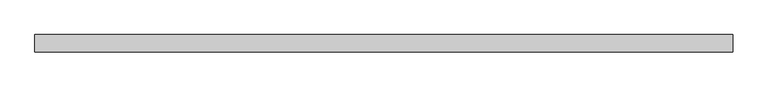
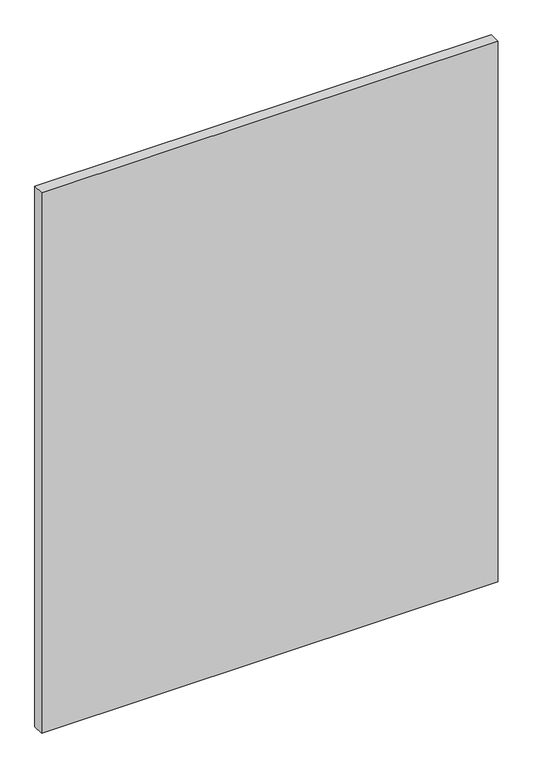
"""IFC4 building model written with IfcOpenShell, lengths in millimetres: proxy geometry."""

import ifcopenshell
import ifcopenshell.guid

model = None  # the IFC model being written
_history = None  # IfcOwnerHistory: only IFC2X3 demands one
_inside = {}  # id of a spatial element -> (the spatial element, [elements in it])
_under = {}  # id of a project, library or spatial element -> (it, [spatial elements below it])
_declared = {}  # id of a project -> (the project, [libraries it declares])
_typed = {}  # id of a type object -> (the type object, [elements of that type])
_made_of = {}  # id of a material, layer set ... -> (it, [elements and type objects made of it])


def new_model(schema):
    """Start an empty IFC model of exactly this schema.

    Asked for "IFC4X3", IfcOpenShell would pick the latest addendum, in which some entities
    have other attributes; the version numbers below select the first issue.
    IFC2X3 requires an IfcOwnerHistory on every rooted entity: one is made here for all.
    """
    global model, _history
    if schema == "IFC4X3":
        model = ifcopenshell.file(schema_version=(4, 3, 0, 0))
    else:
        model = ifcopenshell.file(schema=schema)
    _inside.clear()
    _under.clear()
    _declared.clear()
    _typed.clear()
    _made_of.clear()
    _history = None
    if model.schema == "IFC2X3":
        org = make("IfcOrganization", Name="unknown")
        user = make(
            "IfcPersonAndOrganization",
            ThePerson=make("IfcPerson", FamilyName="unknown"),
            TheOrganization=org,
        )
        app = make(
            "IfcApplication",
            ApplicationDeveloper=org,
            Version="unknown",
            ApplicationFullName="unknown",
            ApplicationIdentifier="unknown",
        )
        _history = make(
            "IfcOwnerHistory",
            OwningUser=user,
            OwningApplication=app,
            ChangeAction="ADDED",
            CreationDate=0,
        )
    return model


def make(cls, **values):
    """One entity of the class cls with the attributes given. An attribute that is None is left unset."""
    return model.create_entity(
        cls, **{name: value for name, value in values.items() if value is not None}
    )


def rooted(cls, **values):
    """An entity with a GlobalId (a new one), such as an element, a storey or a relation."""
    return make(cls, GlobalId=ifcopenshell.guid.new(), OwnerHistory=_history, **values)


def si_unit(unit_type, name, prefix=None):
    """IfcSIUnit, for example si_unit("LENGTHUNIT", "METRE", prefix="MILLI")."""
    return make("IfcSIUnit", UnitType=unit_type, Prefix=prefix, Name=name)


def assignment(units):
    """IfcUnitAssignment: the units of a project."""
    return None if units is None else make("IfcUnitAssignment", Units=units)


def point(xyz):
    """IfcCartesianPoint."""
    return None if xyz is None else make("IfcCartesianPoint", Coordinates=xyz)


def direction(xyz):
    """IfcDirection."""
    return None if xyz is None else make("IfcDirection", DirectionRatios=xyz)


def frame(location, z_axis=None, x_axis=None):
    """IfcAxis2Placement3D, a coordinate frame: its origin and axes. An axis left out is left unset."""
    return make(
        "IfcAxis2Placement3D",
        Location=point(location),
        Axis=direction(z_axis),
        RefDirection=direction(x_axis),
    )


def origin():
    """The frame at (0, 0, 0) with its axes left unset."""
    return frame((0.0, 0.0, 0.0))


def origin_with_axes():
    """The frame at (0, 0, 0) with the z axis (0, 0, 1) and the x axis (1, 0, 0) written out."""
    return frame((0.0, 0.0, 0.0), z_axis=(0.0, 0.0, 1.0), x_axis=(1.0, 0.0, 0.0))


def place(relative_to, where):
    """IfcLocalPlacement: puts the frame where relative to a parent placement (None: the world)."""
    return make(
        "IfcLocalPlacement", PlacementRelTo=relative_to, RelativePlacement=where
    )


def context(
    kind, dimensions, precision=None, world=None, true_north=None, identifier=None
):
    """IfcGeometricRepresentationContext, for example the 3D "Model" context."""
    return make(
        "IfcGeometricRepresentationContext",
        ContextIdentifier=identifier,
        ContextType=kind,
        CoordinateSpaceDimension=dimensions,
        Precision=precision,
        WorldCoordinateSystem=world,
        TrueNorth=true_north,
    )


def project(units=None, contexts=None):
    """IfcProject with its units and contexts."""
    return rooted(
        "IfcProject",
        Name="project",
        RepresentationContexts=contexts,
        UnitsInContext=assignment(units),
    )


def spatial(cls, under=None, at=None, **own):
    """A site, building, storey or space (cls), placed at a placement, below another one or the project."""
    s = rooted(cls, ObjectPlacement=at, **own)
    if under is not None:
        _under.setdefault(under.id(), (under, []))[1].append(s)
    return s


def polyline(points):
    """IfcPolyline through the points."""
    return make("IfcPolyline", Points=[point(p) for p in points])


def outline(outer, holes=None, kind="AREA"):
    """IfcArbitraryClosedProfileDef: a profile drawn as a closed curve; with holes, ...WithVoids."""
    if holes is None:
        return make("IfcArbitraryClosedProfileDef", ProfileType=kind, OuterCurve=outer)
    return make(
        "IfcArbitraryProfileDefWithVoids",
        ProfileType=kind,
        OuterCurve=outer,
        InnerCurves=holes,
    )


def extrude(swept, where, along, depth):
    """IfcExtrudedAreaSolid: the profile swept, set in the frame where, extruded along a direction by depth."""
    return make(
        "IfcExtrudedAreaSolid",
        SweptArea=swept,
        Position=where,
        ExtrudedDirection=direction(along),
        Depth=depth,
    )


def shape(context_of_items, identifier, shape_type, items):
    """IfcShapeRepresentation: the items that make up one representation, for example the "Body"."""
    return make(
        "IfcShapeRepresentation",
        ContextOfItems=context_of_items,
        RepresentationIdentifier=identifier,
        RepresentationType=shape_type,
        Items=items,
    )


def source(mapping_origin, context_of_items, identifier, shape_type, items):
    """IfcRepresentationMap: a shape defined once, which mapped items show again and again."""
    return make(
        "IfcRepresentationMap",
        MappingOrigin=mapping_origin,
        MappedRepresentation=shape(context_of_items, identifier, shape_type, items),
    )


def transform(
    local_origin,
    x_axis=None,
    y_axis=None,
    z_axis=None,
    scale=None,
    scale2=None,
    scale3=None,
    uniform=True,
):
    """IfcCartesianTransformationOperator3D, or its non-uniform kind. x_axis, y_axis, z_axis: its Axis1, 2, 3."""
    if uniform:
        return make(
            "IfcCartesianTransformationOperator3D",
            Axis1=direction(x_axis),
            Axis2=direction(y_axis),
            LocalOrigin=point(local_origin),
            Scale=scale,
            Axis3=direction(z_axis),
        )
    return make(
        "IfcCartesianTransformationOperator3DnonUniform",
        Axis1=direction(x_axis),
        Axis2=direction(y_axis),
        LocalOrigin=point(local_origin),
        Scale=scale,
        Axis3=direction(z_axis),
        Scale2=scale2,
        Scale3=scale3,
    )


def mapped(mapping_source, mapping_target):
    """IfcMappedItem: shows the shape of a source again, moved by a transform."""
    return make(
        "IfcMappedItem", MappingSource=mapping_source, MappingTarget=mapping_target
    )


def made_of(thing, what):
    """Note that an element or type object is made of a material, layer set ...; save() writes the relation."""
    if what is not None:
        _made_of.setdefault(what.id(), (what, []))[1].append(thing)
    return thing


def element(
    cls,
    number,
    at=None,
    inside=None,
    cuts=None,
    type_object=None,
    material=None,
    context=None,
    identifier="Body",
    shape_type=None,
    held_by="IfcProductDefinitionShape",
    body=None,
    shapes=None,
    **own,
):
    """One element of the class cls, such as IfcWall. Its Tag is "e" and its number.

    at: its placement. inside: the storey or other place that contains it. cuts: it is an
    opening in that element (IfcRelVoidsElement). A single representation is given by context,
    identifier, shape_type and body (its items); several are given by shapes. held_by: the class
    of the entity that holds the representations. save() writes the other relations.
    """
    e = rooted(cls, Tag="e%d" % number, ObjectPlacement=at, **own)
    if body is not None:
        shapes = [shape(context, identifier, shape_type, body)]
    if shapes is not None:
        e.Representation = make(held_by, Representations=shapes)
    if inside is not None:
        _inside.setdefault(inside.id(), (inside, []))[1].append(e)
    if cuts is not None:
        rooted(
            "IfcRelVoidsElement", RelatingBuildingElement=cuts, RelatedOpeningElement=e
        )
    if type_object is not None:
        _typed.setdefault(type_object.id(), (type_object, []))[1].append(e)
    return made_of(e, material)


def aggregate(whole, parts):
    """IfcRelAggregates: a whole, such as a stair, and the parts it consists of."""
    return rooted("IfcRelAggregates", RelatingObject=whole, RelatedObjects=parts)


def save(model, path):
    """Write the relations noted so far, then the file.

    IfcRelAggregates (storeys below a building ...), IfcRelContainedInSpatialStructure (elements
    in a storey), IfcRelDefinesByType, IfcRelAssociatesMaterial and IfcRelDeclares: one each for
    every whole, place, type object, material and project.
    """
    for whole, parts in _under.values():
        aggregate(whole, parts)
    for where, things in _inside.values():
        rooted(
            "IfcRelContainedInSpatialStructure",
            RelatedElements=things,
            RelatingStructure=where,
        )
    for kind, things in _typed.values():
        rooted("IfcRelDefinesByType", RelatedObjects=things, RelatingType=kind)
    for what, things in _made_of.values():
        rooted("IfcRelAssociatesMaterial", RelatedObjects=things, RelatingMaterial=what)
    for by, libraries in _declared.values():
        rooted("IfcRelDeclares", RelatingContext=by, RelatedDefinitions=libraries)
    model.write(path)


def generic_models_89e13b0c(model_context):
    return source(origin(), model_context, "Body", "SweptSolid", [
        extrude(outline(polyline([(0.0, 100.0), (0.0, 0.0), (-4000.0, 0.0), (-4000.0, 100.0), (0.0, 100.0)])), origin_with_axes(), (0.0, 0.0, 1.0), 5000.0),
    ])


if __name__ == "__main__":
    model = new_model("IFC4")
    model_context = context("Model", 3, world=origin())
    ifc_project = project(units=[si_unit("LENGTHUNIT", "METRE", prefix="MILLI")], contexts=[model_context])
    site = spatial("IfcSite", under=ifc_project)
    building = spatial("IfcBuilding", under=site)
    placement = place(None, origin())
    generic_models_shape = generic_models_89e13b0c(model_context)
    element("IfcBuildingElementProxy", 1, Name="Generic Models", at=placement, inside=building, context=model_context, shape_type="MappedRepresentation", body=[
        mapped(generic_models_shape, transform((0.0, 0.0, 0.0), x_axis=(1.0, 0.0, 0.0), y_axis=(0.0, 1.0, 0.0), z_axis=(0.0, 0.0, 1.0))),
    ])
    save(model, "model.ifc")
